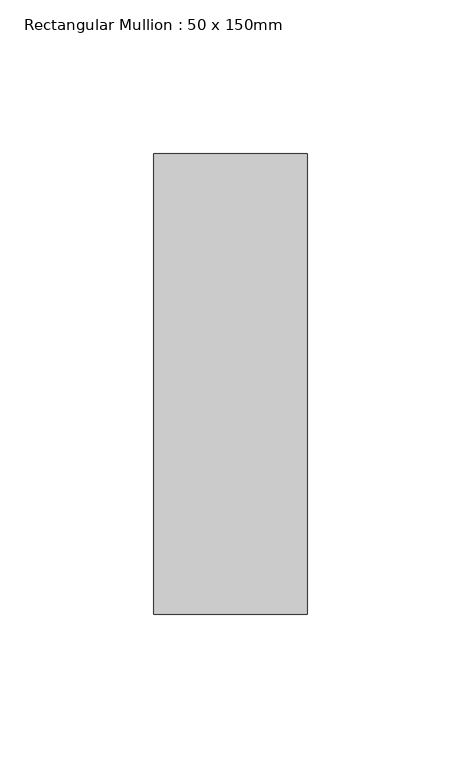
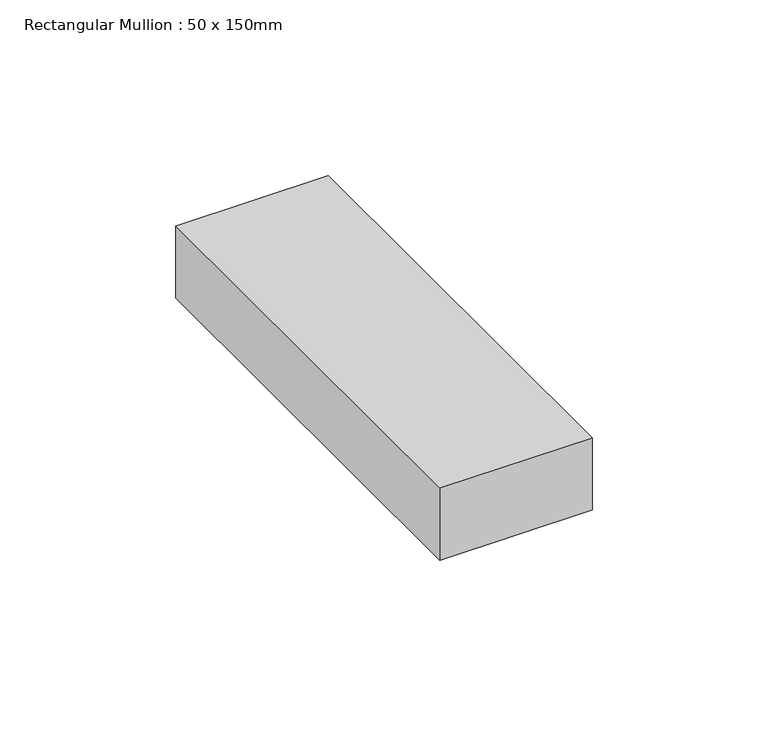
"""IFC4 building model written with IfcOpenShell, lengths in millimetres: member geometry, Rectangular Mullion : 50 x 150mm."""

from ifc_helpers import new_model, si_unit, frame, origin, place, context, project, spatial, polyline, outline, extrude, source, transform, mapped, element, save


def rectangular_mullion_50_x_150mm_a180af4a(model_context):
    return source(origin(), model_context, "Body", "SweptSolid", [
        extrude(outline(polyline([(0.0, 75.0), (0.0, -75.0), (-50.0, -75.0), (-50.0, 75.0), (0.0, 75.0)])), frame((0.0, 0.0, -25.0), z_axis=(0.0, 0.0, 1.0), x_axis=(1.0, 0.0, 0.0)), (0.0, 0.0, 1.0), 25.0),
    ])


if __name__ == "__main__":
    model = new_model("IFC4")
    model_context = context("Model", 3, world=origin())
    ifc_project = project(units=[si_unit("LENGTHUNIT", "METRE", prefix="MILLI")], contexts=[model_context])
    site = spatial("IfcSite", under=ifc_project)
    building = spatial("IfcBuilding", under=site)
    placement = place(None, origin())
    rectangular_mullion_50_x_150mm_shape = rectangular_mullion_50_x_150mm_a180af4a(model_context)
    element("IfcMember", 1, ObjectType="Rectangular Mullion : 50 x 150mm", at=placement, inside=building, context=model_context, shape_type="MappedRepresentation", body=[
        mapped(rectangular_mullion_50_x_150mm_shape, transform((0.0, 0.0, 0.0), x_axis=(1.0, 0.0, 0.0), y_axis=(0.0, 1.0, 0.0), z_axis=(0.0, 0.0, 1.0))),
    ])
    save(model, "model.ifc")
